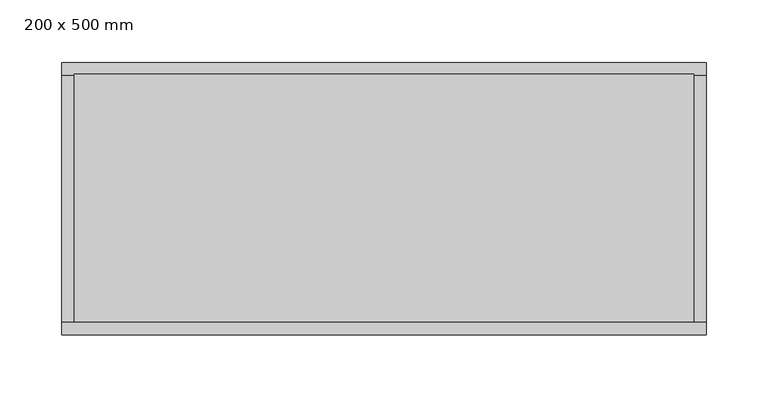
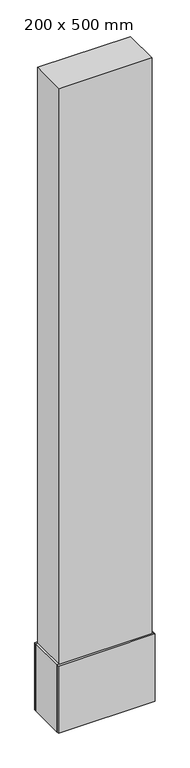
"""IFC4 building model written with IfcOpenShell, lengths in millimetres: column geometry, 200 x 500 mm."""

from ifc_helpers import new_model, si_unit, frame, origin, place, context, project, spatial, polyline, outline, extrude, source, transform, mapped, element, save


def column_200_x_500_mm_12f8ebe1(model_context):
    return source(origin(), model_context, "Body", "SweptSolid", [
        extrude(outline(polyline([(260.0, -110.0), (-260.0, -110.0), (-260.0, -100.0), (260.0, -100.0), (260.0, -110.0)])), frame((0.0, 0.0, -150.0), z_axis=(0.0, 0.0, 1.0), x_axis=(1.0, 0.0, 0.0)), (0.0, 0.0, 1.0), 380.9303136),
        extrude(outline(polyline([(260.0, 100.0), (-260.0, 100.0), (-260.0, 110.0), (260.0, 110.0), (260.0, 100.0)])), frame((0.0, 0.0, -150.0), z_axis=(0.0, 0.0, 1.0), x_axis=(1.0, 0.0, 0.0)), (0.0, 0.0, 1.0), 380.9303136),
        extrude(outline(polyline([(-250.0, 100.0), (-250.0, -100.0), (-260.0, -100.0), (-260.0, 100.0), (-250.0, 100.0)])), frame((0.0, 0.0, -150.0), z_axis=(0.0, 0.0, 1.0), x_axis=(1.0, 0.0, 0.0)), (0.0, 0.0, 1.0), 380.9303136),
        extrude(outline(polyline([(260.0, 100.0), (260.0, -100.0), (250.0, -100.0), (250.0, 100.0), (260.0, 100.0)])), frame((0.0, 0.0, -150.0), z_axis=(0.0, 0.0, 1.0), x_axis=(1.0, 0.0, 0.0)), (0.0, 0.0, 1.0), 380.9303136),
        extrude(outline(polyline([(250.0, 100.0), (250.0, -100.0), (-250.0, -100.0), (-250.0, 100.0), (250.0, 100.0)])), frame((0.0, 0.0, -150.0), z_axis=(0.0, 0.0, 1.0), x_axis=(1.0, 0.0, 0.0)), (0.0, 0.0, 1.0), 3650.0),
    ])


if __name__ == "__main__":
    model = new_model("IFC4")
    model_context = context("Model", 3, world=origin())
    ifc_project = project(units=[si_unit("LENGTHUNIT", "METRE", prefix="MILLI")], contexts=[model_context])
    site = spatial("IfcSite", under=ifc_project)
    building = spatial("IfcBuilding", under=site)
    placement = place(None, origin())
    column_200_x_500_mm_shape = column_200_x_500_mm_12f8ebe1(model_context)
    element("IfcColumn", 1, ObjectType="200 x 500 mm", at=placement, inside=building, context=model_context, shape_type="MappedRepresentation", body=[
        mapped(column_200_x_500_mm_shape, transform((0.0, 0.0, 0.0), x_axis=(1.0, 0.0, 0.0), y_axis=(0.0, 1.0, 0.0), z_axis=(0.0, 0.0, 1.0))),
    ])
    save(model, "model.ifc")
